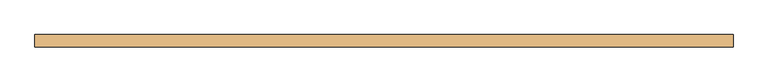
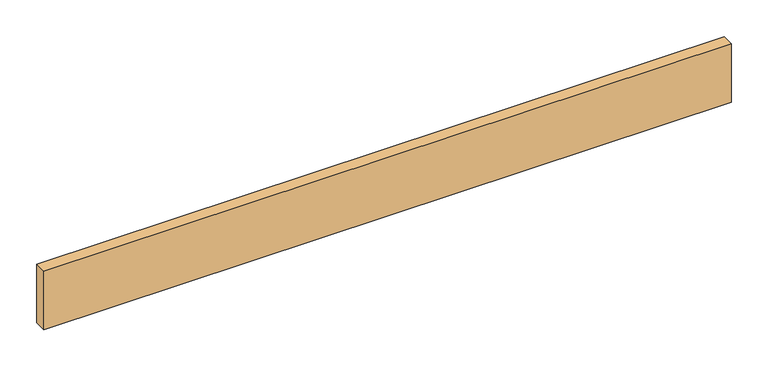
"""IFC4 building model written with IfcOpenShell, lengths in millimetres: door geometry."""

from ifc_helpers import new_model, si_unit, origin, origin_with_axes, place, context, project, spatial, polyline, outline, extrude, source, transform, mapped, element, save


def door_b0ca13bb(model_context):
    return source(origin(), model_context, "Body", "SweptSolid", [
        extrude(outline(polyline([(536.7561264, 0.0), (-536.7561264, 0.0), (-536.7561264, 19.05), (536.7561264, 19.05), (536.7561264, 0.0)])), origin_with_axes(), (0.0, 0.0, 1.0), 96.52),
    ])


if __name__ == "__main__":
    model = new_model("IFC4")
    model_context = context("Model", 3, world=origin())
    ifc_project = project(units=[si_unit("LENGTHUNIT", "METRE", prefix="MILLI")], contexts=[model_context])
    site = spatial("IfcSite", under=ifc_project)
    building = spatial("IfcBuilding", under=site)
    placement = place(None, origin())
    door_shape = door_b0ca13bb(model_context)
    element("IfcDoor", 1, at=placement, inside=building, context=model_context, shape_type="MappedRepresentation", body=[
        mapped(door_shape, transform((0.0, 0.0, 0.0), x_axis=(1.0, 0.0, 0.0), y_axis=(0.0, 1.0, 0.0), z_axis=(0.0, 0.0, 1.0))),
    ])
    save(model, "model.ifc")
